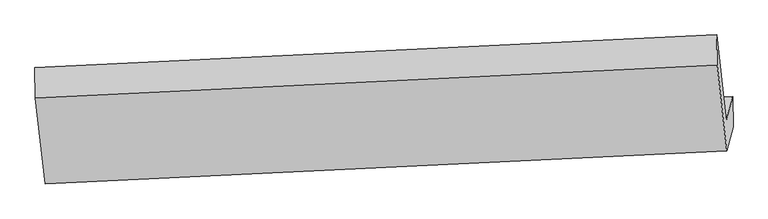
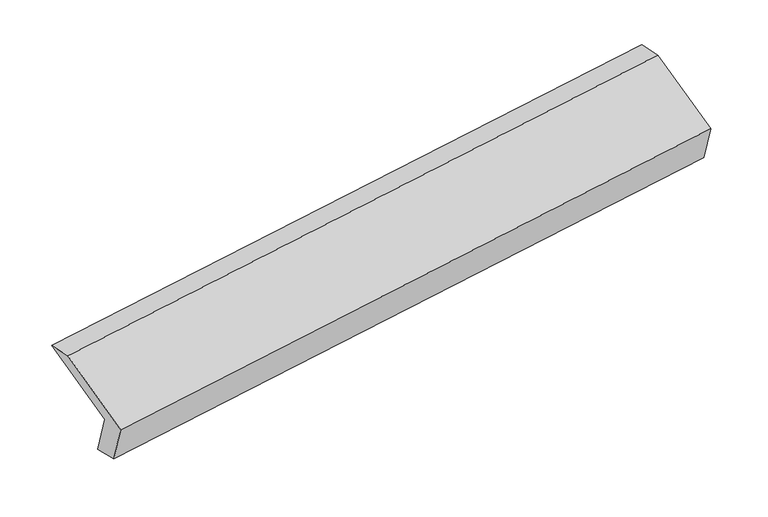
"""IFC4 building model written with IfcOpenShell, lengths in millimetres: proxy geometry."""

from ifc_helpers import new_model, si_unit, origin, place, context, project, spatial, faceted_brep, source, transform, mapped, element, save


def generic_models_5d305e9a(model_context):
    return source(origin(), model_context, "Body", "Brep", [
        faceted_brep([(-5185.1728477, -1600.6384321, 1226.1483372), (-5229.9770021, -1770.5727035, 1591.0675223), (-480.6717903, -1541.5722325, 2280.819233), (-435.8676359, -1371.6379611, 1915.9000479), (-5182.6003636, -1815.6094125, 1277.2812167), (-433.2951518, -1586.6089415, 1967.0329274), (-5226.2983305, -1981.3481095, 1633.1907679), (-476.9931187, -1752.3476385, 2322.9424785), (-5293.1520005, -1381.9648833, 1904.1012426), (-543.8467886, -1152.9644123, 2593.8529533), (-5296.8306721, -1171.1894773, 1861.9779971), (-547.5254603, -942.1890063, 2551.7297078)], [[[0, 1, 2, 3]], [[4, 0, 3, 5]], [[6, 4, 5, 7]], [[8, 6, 7, 9]], [[10, 8, 9, 11]], [[1, 10, 11, 2]], [[9, 7, 5, 3, 2, 11]], [[1, 0, 4, 6, 8, 10]]]),
    ])


if __name__ == "__main__":
    model = new_model("IFC4")
    model_context = context("Model", 3, world=origin())
    ifc_project = project(units=[si_unit("LENGTHUNIT", "METRE", prefix="MILLI")], contexts=[model_context])
    site = spatial("IfcSite", under=ifc_project)
    building = spatial("IfcBuilding", under=site)
    placement = place(None, origin())
    generic_models_shape = generic_models_5d305e9a(model_context)
    element("IfcBuildingElementProxy", 1, Name="Generic Models", at=placement, inside=building, context=model_context, shape_type="MappedRepresentation", body=[
        mapped(generic_models_shape, transform((0.0, 0.0, 0.0), x_axis=(1.0, 0.0, 0.0), y_axis=(0.0, 1.0, 0.0), z_axis=(0.0, 0.0, 1.0))),
    ])
    save(model, "model.ifc")
